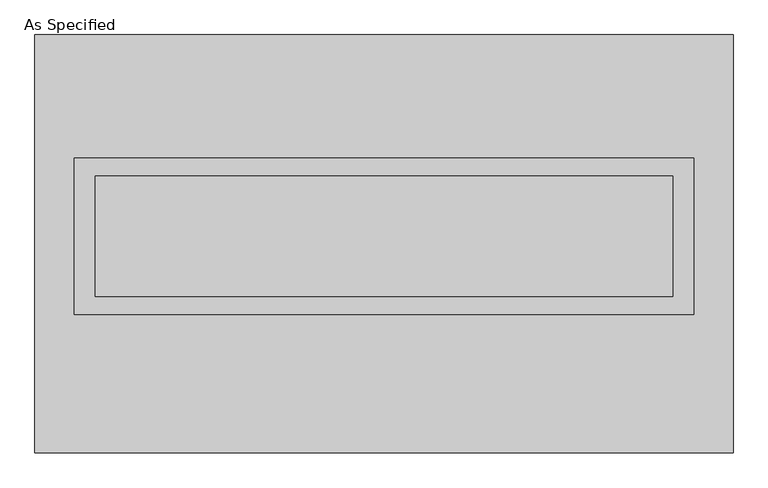
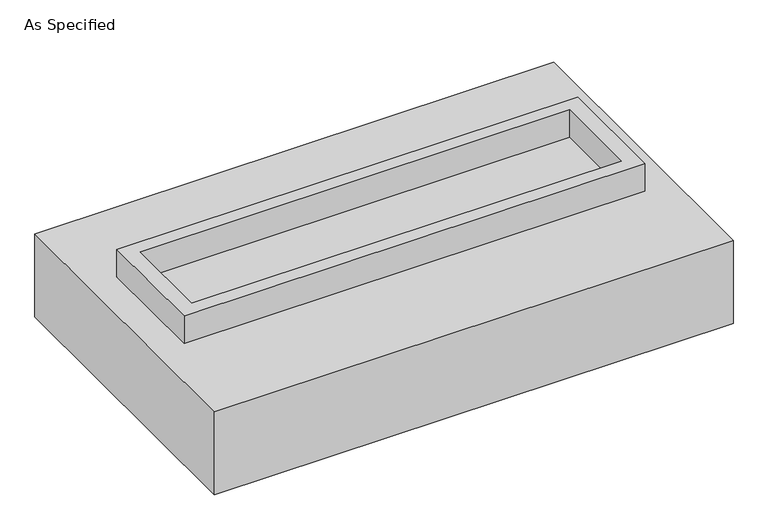
"""IFC4 building model written with IfcOpenShell, lengths in millimetres: proxy geometry, As Specified."""

from ifc_helpers import new_model, si_unit, frame, origin, place, context, project, spatial, polyline, outline, extrude, faceted_brep, source, transform, mapped, element, save


def as_specified_5e3cbc98(model_context):
    return source(origin(), model_context, "Body", "SolidModel", [
        extrude(outline(polyline([(1308.1, 361.95), (1308.1, -298.45), (-1308.1, -298.45), (-1308.1, 361.95), (1308.1, 361.95)]), holes=[polyline([(1219.2, 285.75), (-1219.2, 285.75), (-1219.2, -222.25), (1219.2, -222.25), (1219.2, 285.75)])]), frame((0.0, 0.0, -25.4), z_axis=(0.0, 0.0, 1.0), x_axis=(1.0, 0.0, 0.0)), (0.0, 0.0, 1.0), 165.1),
        extrude(outline(polyline([(1219.2, 285.75), (1219.2, -222.25), (-1219.2, -222.25), (-1219.2, 285.75), (1219.2, 285.75)])), frame((0.0, 0.0, -30.3609375), z_axis=(0.0, 0.0, 1.0), x_axis=(1.0, 0.0, 0.0)), (0.0, 0.0, 1.0), 4.9609375),
        faceted_brep([(1473.2, -882.65, -523.875), (-1473.2, -882.65, -523.875), (-1473.2, 882.65, -523.875), (1473.2, 882.65, -523.875), (1473.2, 882.65, -25.4), (-1473.2, 882.65, -25.4), (-1473.2, -882.65, -25.4), (1473.2, -882.65, -25.4), (1308.1, 361.95, -25.4), (1308.1, -298.45, -25.4), (-1308.1, -298.45, -25.4), (-1308.1, 361.95, -25.4), (1308.1, 361.95, -498.475), (-1308.1, 361.95, -498.475), (-1308.1, -298.45, -498.475), (1308.1, -298.45, -498.475)], [[[0, 1, 2, 3]], [[4, 5, 6, 7], [8, 9, 10, 11]], [[3, 2, 5, 4]], [[2, 1, 6, 5]], [[0, 3, 4, 7]], [[12, 13, 14, 15]], [[14, 13, 11, 10]], [[13, 12, 8, 11]], [[12, 15, 9, 8]], [[10, 9, 15, 14]], [[1, 0, 7, 6]]]),
    ])


if __name__ == "__main__":
    model = new_model("IFC4")
    model_context = context("Model", 3, world=origin())
    ifc_project = project(units=[si_unit("LENGTHUNIT", "METRE", prefix="MILLI")], contexts=[model_context])
    site = spatial("IfcSite", under=ifc_project)
    building = spatial("IfcBuilding", under=site)
    placement = place(None, origin())
    as_specified_shape = as_specified_5e3cbc98(model_context)
    element("IfcBuildingElementProxy", 1, Name="As Specified", ObjectType="As Specified", at=placement, inside=building, context=model_context, shape_type="MappedRepresentation", body=[
        mapped(as_specified_shape, transform((0.0, 0.0, 0.0), x_axis=(1.0, 0.0, 0.0), y_axis=(0.0, 1.0, 0.0), z_axis=(0.0, 0.0, 1.0))),
    ])
    save(model, "model.ifc")
